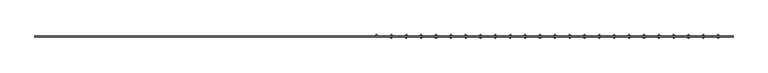
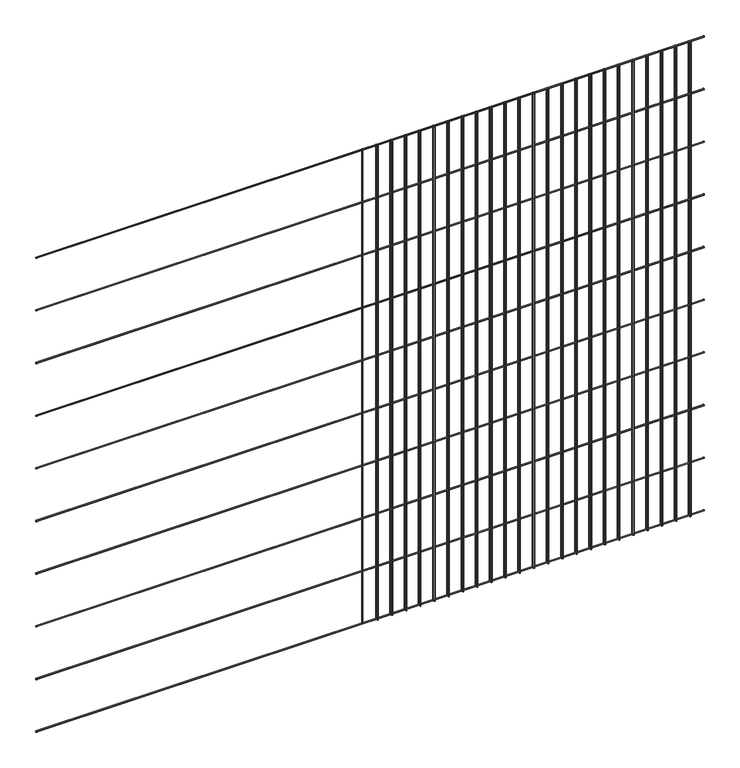
"""IFC4 building model written with IfcOpenShell, lengths in millimetres: railing geometry."""

from ifc_helpers import new_model, si_unit, point, frame, frame_2d, origin, place, context, project, spatial, circle_curve, trimmed, segment, composite_curve, outline, extrude, source, transform, mapped, element, save


def railing_3e15e8f1(model_context):
    return source(origin(), model_context, "Body", "SweptSolid", [
        extrude(outline(composite_curve([segment(trimmed(circle_curve(frame_2d((-1798.7360363, 9450.8835937)), 2.0574), [point((-1796.6786363, 9450.8835937))], [point((-1800.7934363, 9450.8835937))], False, "CARTESIAN"), True, "CONTINUOUS"), segment(trimmed(circle_curve(frame_2d((-1798.7360363, 9450.8835937)), 2.0574), [point((-1800.7934363, 9450.8835937))], [point((-1796.6786363, 9450.8835937))], False, "CARTESIAN"), True, "CONTINUOUS")], self_intersect=False)), frame((-5189.4581376, 0.0, 0.0), z_axis=(1.0, 0.0, 0.0), x_axis=(0.0, 1.0, 0.0)), (0.0, 0.0, 1.0), 2438.4),
        extrude(outline(composite_curve([segment(trimmed(circle_curve(frame_2d((-1798.7360363, 9247.6835937)), 2.0574), [point((-1796.6786363, 9247.6835937))], [point((-1800.7934363, 9247.6835937))], False, "CARTESIAN"), True, "CONTINUOUS"), segment(trimmed(circle_curve(frame_2d((-1798.7360363, 9247.6835937)), 2.0574), [point((-1800.7934363, 9247.6835937))], [point((-1796.6786363, 9247.6835937))], False, "CARTESIAN"), True, "CONTINUOUS")], self_intersect=False)), frame((-5189.4581376, 0.0, 0.0), z_axis=(1.0, 0.0, 0.0), x_axis=(0.0, 1.0, 0.0)), (0.0, 0.0, 1.0), 2438.4),
        extrude(outline(composite_curve([segment(trimmed(circle_curve(frame_2d((-1798.7360363, 9044.4835937)), 2.0574), [point((-1796.6786363, 9044.4835937))], [point((-1800.7934363, 9044.4835937))], False, "CARTESIAN"), True, "CONTINUOUS"), segment(trimmed(circle_curve(frame_2d((-1798.7360363, 9044.4835937)), 2.0574), [point((-1800.7934363, 9044.4835937))], [point((-1796.6786363, 9044.4835937))], False, "CARTESIAN"), True, "CONTINUOUS")], self_intersect=False)), frame((-5189.4581376, 0.0, 0.0), z_axis=(1.0, 0.0, 0.0), x_axis=(0.0, 1.0, 0.0)), (0.0, 0.0, 1.0), 2438.4),
        extrude(outline(composite_curve([segment(trimmed(circle_curve(frame_2d((-1798.7360363, 8841.2835937)), 2.0574), [point((-1796.6786363, 8841.2835937))], [point((-1800.7934363, 8841.2835937))], False, "CARTESIAN"), True, "CONTINUOUS"), segment(trimmed(circle_curve(frame_2d((-1798.7360363, 8841.2835937)), 2.0574), [point((-1800.7934363, 8841.2835937))], [point((-1796.6786363, 8841.2835937))], False, "CARTESIAN"), True, "CONTINUOUS")], self_intersect=False)), frame((-5189.4581376, 0.0, 0.0), z_axis=(1.0, 0.0, 0.0), x_axis=(0.0, 1.0, 0.0)), (0.0, 0.0, 1.0), 2438.4),
        extrude(outline(composite_curve([segment(trimmed(circle_curve(frame_2d((-1798.7360363, 8638.0835937)), 2.0574), [point((-1796.6786363, 8638.0835937))], [point((-1800.7934363, 8638.0835937))], False, "CARTESIAN"), True, "CONTINUOUS"), segment(trimmed(circle_curve(frame_2d((-1798.7360363, 8638.0835937)), 2.0574), [point((-1800.7934363, 8638.0835937))], [point((-1796.6786363, 8638.0835937))], False, "CARTESIAN"), True, "CONTINUOUS")], self_intersect=False)), frame((-5189.4581376, 0.0, 0.0), z_axis=(1.0, 0.0, 0.0), x_axis=(0.0, 1.0, 0.0)), (0.0, 0.0, 1.0), 2438.4),
        extrude(outline(composite_curve([segment(trimmed(circle_curve(frame_2d((-1798.7360363, 8434.8835937)), 2.0574), [point((-1796.6786363, 8434.8835937))], [point((-1800.7934363, 8434.8835937))], False, "CARTESIAN"), True, "CONTINUOUS"), segment(trimmed(circle_curve(frame_2d((-1798.7360363, 8434.8835937)), 2.0574), [point((-1800.7934363, 8434.8835937))], [point((-1796.6786363, 8434.8835937))], False, "CARTESIAN"), True, "CONTINUOUS")], self_intersect=False)), frame((-5189.4581376, 0.0, 0.0), z_axis=(1.0, 0.0, 0.0), x_axis=(0.0, 1.0, 0.0)), (0.0, 0.0, 1.0), 2438.4),
        extrude(outline(composite_curve([segment(trimmed(circle_curve(frame_2d((-1798.7360363, 8231.6835937)), 2.0574), [point((-1796.6786363, 8231.6835937))], [point((-1800.7934363, 8231.6835937))], False, "CARTESIAN"), True, "CONTINUOUS"), segment(trimmed(circle_curve(frame_2d((-1798.7360363, 8231.6835937)), 2.0574), [point((-1800.7934363, 8231.6835937))], [point((-1796.6786363, 8231.6835937))], False, "CARTESIAN"), True, "CONTINUOUS")], self_intersect=False)), frame((-5189.4581376, 0.0, 0.0), z_axis=(1.0, 0.0, 0.0), x_axis=(0.0, 1.0, 0.0)), (0.0, 0.0, 1.0), 2438.4),
        extrude(outline(composite_curve([segment(trimmed(circle_curve(frame_2d((-1798.7360363, 8028.4835937)), 2.0574), [point((-1796.6786363, 8028.4835937))], [point((-1800.7934363, 8028.4835937))], False, "CARTESIAN"), True, "CONTINUOUS"), segment(trimmed(circle_curve(frame_2d((-1798.7360363, 8028.4835937)), 2.0574), [point((-1800.7934363, 8028.4835937))], [point((-1796.6786363, 8028.4835937))], False, "CARTESIAN"), True, "CONTINUOUS")], self_intersect=False)), frame((-5189.4581376, 0.0, 0.0), z_axis=(1.0, 0.0, 0.0), x_axis=(0.0, 1.0, 0.0)), (0.0, 0.0, 1.0), 2438.4),
        extrude(outline(composite_curve([segment(trimmed(circle_curve(frame_2d((-1798.7360363, 7825.2835937)), 2.0574), [point((-1796.6786363, 7825.2835937))], [point((-1800.7934363, 7825.2835937))], False, "CARTESIAN"), True, "CONTINUOUS"), segment(trimmed(circle_curve(frame_2d((-1798.7360363, 7825.2835937)), 2.0574), [point((-1800.7934363, 7825.2835937))], [point((-1796.6786363, 7825.2835937))], False, "CARTESIAN"), True, "CONTINUOUS")], self_intersect=False)), frame((-5189.4581376, 0.0, 0.0), z_axis=(1.0, 0.0, 0.0), x_axis=(0.0, 1.0, 0.0)), (0.0, 0.0, 1.0), 2438.4),
        extrude(outline(composite_curve([segment(trimmed(circle_curve(frame_2d((-1798.7360363, 7622.0835937)), 2.0574), [point((-1796.6786363, 7622.0835937))], [point((-1800.7934363, 7622.0835937))], False, "CARTESIAN"), True, "CONTINUOUS"), segment(trimmed(circle_curve(frame_2d((-1798.7360363, 7622.0835937)), 2.0574), [point((-1800.7934363, 7622.0835937))], [point((-1796.6786363, 7622.0835937))], False, "CARTESIAN"), True, "CONTINUOUS")], self_intersect=False)), frame((-5189.4581376, 0.0, 0.0), z_axis=(1.0, 0.0, 0.0), x_axis=(0.0, 1.0, 0.0)), (0.0, 0.0, 1.0), 2438.4),
        extrude(outline(composite_curve([segment(trimmed(circle_curve(frame_2d((-2802.9389887, -1794.6212363)), 2.0574), [point((-2802.9389887, -1796.6786363))], [point((-2802.9389887, -1792.5638363))], False, "CARTESIAN"), True, "CONTINUOUS"), segment(trimmed(circle_curve(frame_2d((-2802.9389887, -1794.6212363)), 2.0574), [point((-2802.9389887, -1792.5638363))], [point((-2802.9389887, -1796.6786363))], False, "CARTESIAN"), True, "CONTINUOUS")], self_intersect=False)), frame((0.0, 0.0, 7620.0), z_axis=(0.0, 0.0, 1.0), x_axis=(1.0, 0.0, 0.0)), (0.0, 0.0, 1.0), 1828.8),
        extrude(outline(composite_curve([segment(trimmed(circle_curve(frame_2d((-2802.9389887, -1802.8508363)), 2.0574), [point((-2802.9389887, -1800.7934363))], [point((-2802.9389887, -1804.9082363))], False, "CARTESIAN"), True, "CONTINUOUS"), segment(trimmed(circle_curve(frame_2d((-2802.9389887, -1802.8508363)), 2.0574), [point((-2802.9389887, -1804.9082363))], [point((-2802.9389887, -1800.7934363))], False, "CARTESIAN"), True, "CONTINUOUS")], self_intersect=False)), frame((0.0, 0.0, 7620.0), z_axis=(0.0, 0.0, 1.0), x_axis=(1.0, 0.0, 0.0)), (0.0, 0.0, 1.0), 1828.8),
        extrude(outline(composite_curve([segment(trimmed(circle_curve(frame_2d((-2854.8198397, -1794.6212363)), 2.0574), [point((-2854.8198397, -1796.6786363))], [point((-2854.8198397, -1792.5638363))], False, "CARTESIAN"), True, "CONTINUOUS"), segment(trimmed(circle_curve(frame_2d((-2854.8198397, -1794.6212363)), 2.0574), [point((-2854.8198397, -1792.5638363))], [point((-2854.8198397, -1796.6786363))], False, "CARTESIAN"), True, "CONTINUOUS")], self_intersect=False)), frame((0.0, 0.0, 7620.0), z_axis=(0.0, 0.0, 1.0), x_axis=(1.0, 0.0, 0.0)), (0.0, 0.0, 1.0), 1828.8),
        extrude(outline(composite_curve([segment(trimmed(circle_curve(frame_2d((-2854.8198397, -1802.8508363)), 2.0574), [point((-2854.8198397, -1800.7934363))], [point((-2854.8198397, -1804.9082363))], False, "CARTESIAN"), True, "CONTINUOUS"), segment(trimmed(circle_curve(frame_2d((-2854.8198397, -1802.8508363)), 2.0574), [point((-2854.8198397, -1804.9082363))], [point((-2854.8198397, -1800.7934363))], False, "CARTESIAN"), True, "CONTINUOUS")], self_intersect=False)), frame((0.0, 0.0, 7620.0), z_axis=(0.0, 0.0, 1.0), x_axis=(1.0, 0.0, 0.0)), (0.0, 0.0, 1.0), 1828.8),
        extrude(outline(composite_curve([segment(trimmed(circle_curve(frame_2d((-2906.7006908, -1794.6212363)), 2.0574), [point((-2906.7006908, -1796.6786363))], [point((-2906.7006908, -1792.5638363))], False, "CARTESIAN"), True, "CONTINUOUS"), segment(trimmed(circle_curve(frame_2d((-2906.7006908, -1794.6212363)), 2.0574), [point((-2906.7006908, -1792.5638363))], [point((-2906.7006908, -1796.6786363))], False, "CARTESIAN"), True, "CONTINUOUS")], self_intersect=False)), frame((0.0, 0.0, 7620.0), z_axis=(0.0, 0.0, 1.0), x_axis=(1.0, 0.0, 0.0)), (0.0, 0.0, 1.0), 1828.8),
        extrude(outline(composite_curve([segment(trimmed(circle_curve(frame_2d((-2906.7006908, -1802.8508363)), 2.0574), [point((-2906.7006908, -1800.7934363))], [point((-2906.7006908, -1804.9082363))], False, "CARTESIAN"), True, "CONTINUOUS"), segment(trimmed(circle_curve(frame_2d((-2906.7006908, -1802.8508363)), 2.0574), [point((-2906.7006908, -1804.9082363))], [point((-2906.7006908, -1800.7934363))], False, "CARTESIAN"), True, "CONTINUOUS")], self_intersect=False)), frame((0.0, 0.0, 7620.0), z_axis=(0.0, 0.0, 1.0), x_axis=(1.0, 0.0, 0.0)), (0.0, 0.0, 1.0), 1828.8),
        extrude(outline(composite_curve([segment(trimmed(circle_curve(frame_2d((-2958.5815419, -1794.6212363)), 2.0574), [point((-2958.5815419, -1796.6786363))], [point((-2958.5815419, -1792.5638363))], False, "CARTESIAN"), True, "CONTINUOUS"), segment(trimmed(circle_curve(frame_2d((-2958.5815419, -1794.6212363)), 2.0574), [point((-2958.5815419, -1792.5638363))], [point((-2958.5815419, -1796.6786363))], False, "CARTESIAN"), True, "CONTINUOUS")], self_intersect=False)), frame((0.0, 0.0, 7620.0), z_axis=(0.0, 0.0, 1.0), x_axis=(1.0, 0.0, 0.0)), (0.0, 0.0, 1.0), 1828.8),
        extrude(outline(composite_curve([segment(trimmed(circle_curve(frame_2d((-2958.5815419, -1802.8508363)), 2.0574), [point((-2958.5815419, -1800.7934363))], [point((-2958.5815419, -1804.9082363))], False, "CARTESIAN"), True, "CONTINUOUS"), segment(trimmed(circle_curve(frame_2d((-2958.5815419, -1802.8508363)), 2.0574), [point((-2958.5815419, -1804.9082363))], [point((-2958.5815419, -1800.7934363))], False, "CARTESIAN"), True, "CONTINUOUS")], self_intersect=False)), frame((0.0, 0.0, 7620.0), z_axis=(0.0, 0.0, 1.0), x_axis=(1.0, 0.0, 0.0)), (0.0, 0.0, 1.0), 1828.8),
        extrude(outline(composite_curve([segment(trimmed(circle_curve(frame_2d((-3010.4623929, -1794.6212363)), 2.0574), [point((-3010.4623929, -1796.6786363))], [point((-3010.4623929, -1792.5638363))], False, "CARTESIAN"), True, "CONTINUOUS"), segment(trimmed(circle_curve(frame_2d((-3010.4623929, -1794.6212363)), 2.0574), [point((-3010.4623929, -1792.5638363))], [point((-3010.4623929, -1796.6786363))], False, "CARTESIAN"), True, "CONTINUOUS")], self_intersect=False)), frame((0.0, 0.0, 7620.0), z_axis=(0.0, 0.0, 1.0), x_axis=(1.0, 0.0, 0.0)), (0.0, 0.0, 1.0), 1828.8),
        extrude(outline(composite_curve([segment(trimmed(circle_curve(frame_2d((-3010.4623929, -1802.8508363)), 2.0574), [point((-3010.4623929, -1800.7934363))], [point((-3010.4623929, -1804.9082363))], False, "CARTESIAN"), True, "CONTINUOUS"), segment(trimmed(circle_curve(frame_2d((-3010.4623929, -1802.8508363)), 2.0574), [point((-3010.4623929, -1804.9082363))], [point((-3010.4623929, -1800.7934363))], False, "CARTESIAN"), True, "CONTINUOUS")], self_intersect=False)), frame((0.0, 0.0, 7620.0), z_axis=(0.0, 0.0, 1.0), x_axis=(1.0, 0.0, 0.0)), (0.0, 0.0, 1.0), 1828.8),
        extrude(outline(composite_curve([segment(trimmed(circle_curve(frame_2d((-3062.343244, -1794.6212363)), 2.0574), [point((-3062.343244, -1796.6786363))], [point((-3062.343244, -1792.5638363))], False, "CARTESIAN"), True, "CONTINUOUS"), segment(trimmed(circle_curve(frame_2d((-3062.343244, -1794.6212363)), 2.0574), [point((-3062.343244, -1792.5638363))], [point((-3062.343244, -1796.6786363))], False, "CARTESIAN"), True, "CONTINUOUS")], self_intersect=False)), frame((0.0, 0.0, 7620.0), z_axis=(0.0, 0.0, 1.0), x_axis=(1.0, 0.0, 0.0)), (0.0, 0.0, 1.0), 1828.8),
        extrude(outline(composite_curve([segment(trimmed(circle_curve(frame_2d((-3062.343244, -1802.8508363)), 2.0574), [point((-3062.343244, -1800.7934363))], [point((-3062.343244, -1804.9082363))], False, "CARTESIAN"), True, "CONTINUOUS"), segment(trimmed(circle_curve(frame_2d((-3062.343244, -1802.8508363)), 2.0574), [point((-3062.343244, -1804.9082363))], [point((-3062.343244, -1800.7934363))], False, "CARTESIAN"), True, "CONTINUOUS")], self_intersect=False)), frame((0.0, 0.0, 7620.0), z_axis=(0.0, 0.0, 1.0), x_axis=(1.0, 0.0, 0.0)), (0.0, 0.0, 1.0), 1828.8),
        extrude(outline(composite_curve([segment(trimmed(circle_curve(frame_2d((-3114.2240951, -1794.6212363)), 2.0574), [point((-3114.2240951, -1796.6786363))], [point((-3114.2240951, -1792.5638363))], False, "CARTESIAN"), True, "CONTINUOUS"), segment(trimmed(circle_curve(frame_2d((-3114.2240951, -1794.6212363)), 2.0574), [point((-3114.2240951, -1792.5638363))], [point((-3114.2240951, -1796.6786363))], False, "CARTESIAN"), True, "CONTINUOUS")], self_intersect=False)), frame((0.0, 0.0, 7620.0), z_axis=(0.0, 0.0, 1.0), x_axis=(1.0, 0.0, 0.0)), (0.0, 0.0, 1.0), 1828.8),
        extrude(outline(composite_curve([segment(trimmed(circle_curve(frame_2d((-3114.2240951, -1802.8508363)), 2.0574), [point((-3114.2240951, -1800.7934363))], [point((-3114.2240951, -1804.9082363))], False, "CARTESIAN"), True, "CONTINUOUS"), segment(trimmed(circle_curve(frame_2d((-3114.2240951, -1802.8508363)), 2.0574), [point((-3114.2240951, -1804.9082363))], [point((-3114.2240951, -1800.7934363))], False, "CARTESIAN"), True, "CONTINUOUS")], self_intersect=False)), frame((0.0, 0.0, 7620.0), z_axis=(0.0, 0.0, 1.0), x_axis=(1.0, 0.0, 0.0)), (0.0, 0.0, 1.0), 1828.8),
        extrude(outline(composite_curve([segment(trimmed(circle_curve(frame_2d((-3166.1049461, -1794.6212363)), 2.0574), [point((-3166.1049461, -1796.6786363))], [point((-3166.1049461, -1792.5638363))], False, "CARTESIAN"), True, "CONTINUOUS"), segment(trimmed(circle_curve(frame_2d((-3166.1049461, -1794.6212363)), 2.0574), [point((-3166.1049461, -1792.5638363))], [point((-3166.1049461, -1796.6786363))], False, "CARTESIAN"), True, "CONTINUOUS")], self_intersect=False)), frame((0.0, 0.0, 7620.0), z_axis=(0.0, 0.0, 1.0), x_axis=(1.0, 0.0, 0.0)), (0.0, 0.0, 1.0), 1828.8),
        extrude(outline(composite_curve([segment(trimmed(circle_curve(frame_2d((-3166.1049461, -1802.8508363)), 2.0574), [point((-3166.1049461, -1800.7934363))], [point((-3166.1049461, -1804.9082363))], False, "CARTESIAN"), True, "CONTINUOUS"), segment(trimmed(circle_curve(frame_2d((-3166.1049461, -1802.8508363)), 2.0574), [point((-3166.1049461, -1804.9082363))], [point((-3166.1049461, -1800.7934363))], False, "CARTESIAN"), True, "CONTINUOUS")], self_intersect=False)), frame((0.0, 0.0, 7620.0), z_axis=(0.0, 0.0, 1.0), x_axis=(1.0, 0.0, 0.0)), (0.0, 0.0, 1.0), 1828.8),
        extrude(outline(composite_curve([segment(trimmed(circle_curve(frame_2d((-3217.9857972, -1794.6212363)), 2.0574), [point((-3217.9857972, -1796.6786363))], [point((-3217.9857972, -1792.5638363))], False, "CARTESIAN"), True, "CONTINUOUS"), segment(trimmed(circle_curve(frame_2d((-3217.9857972, -1794.6212363)), 2.0574), [point((-3217.9857972, -1792.5638363))], [point((-3217.9857972, -1796.6786363))], False, "CARTESIAN"), True, "CONTINUOUS")], self_intersect=False)), frame((0.0, 0.0, 7620.0), z_axis=(0.0, 0.0, 1.0), x_axis=(1.0, 0.0, 0.0)), (0.0, 0.0, 1.0), 1828.8),
        extrude(outline(composite_curve([segment(trimmed(circle_curve(frame_2d((-3217.9857972, -1802.8508363)), 2.0574), [point((-3217.9857972, -1800.7934363))], [point((-3217.9857972, -1804.9082363))], False, "CARTESIAN"), True, "CONTINUOUS"), segment(trimmed(circle_curve(frame_2d((-3217.9857972, -1802.8508363)), 2.0574), [point((-3217.9857972, -1804.9082363))], [point((-3217.9857972, -1800.7934363))], False, "CARTESIAN"), True, "CONTINUOUS")], self_intersect=False)), frame((0.0, 0.0, 7620.0), z_axis=(0.0, 0.0, 1.0), x_axis=(1.0, 0.0, 0.0)), (0.0, 0.0, 1.0), 1828.8),
        extrude(outline(composite_curve([segment(trimmed(circle_curve(frame_2d((-3269.8666482, -1794.6212363)), 2.0574), [point((-3269.8666482, -1796.6786363))], [point((-3269.8666482, -1792.5638363))], False, "CARTESIAN"), True, "CONTINUOUS"), segment(trimmed(circle_curve(frame_2d((-3269.8666482, -1794.6212363)), 2.0574), [point((-3269.8666482, -1792.5638363))], [point((-3269.8666482, -1796.6786363))], False, "CARTESIAN"), True, "CONTINUOUS")], self_intersect=False)), frame((0.0, 0.0, 7620.0), z_axis=(0.0, 0.0, 1.0), x_axis=(1.0, 0.0, 0.0)), (0.0, 0.0, 1.0), 1828.8),
        extrude(outline(composite_curve([segment(trimmed(circle_curve(frame_2d((-3269.8666482, -1802.8508363)), 2.0574), [point((-3269.8666482, -1800.7934363))], [point((-3269.8666482, -1804.9082363))], False, "CARTESIAN"), True, "CONTINUOUS"), segment(trimmed(circle_curve(frame_2d((-3269.8666482, -1802.8508363)), 2.0574), [point((-3269.8666482, -1804.9082363))], [point((-3269.8666482, -1800.7934363))], False, "CARTESIAN"), True, "CONTINUOUS")], self_intersect=False)), frame((0.0, 0.0, 7620.0), z_axis=(0.0, 0.0, 1.0), x_axis=(1.0, 0.0, 0.0)), (0.0, 0.0, 1.0), 1828.8),
        extrude(outline(composite_curve([segment(trimmed(circle_curve(frame_2d((-3321.7474993, -1794.6212363)), 2.0574), [point((-3321.7474993, -1796.6786363))], [point((-3321.7474993, -1792.5638363))], False, "CARTESIAN"), True, "CONTINUOUS"), segment(trimmed(circle_curve(frame_2d((-3321.7474993, -1794.6212363)), 2.0574), [point((-3321.7474993, -1792.5638363))], [point((-3321.7474993, -1796.6786363))], False, "CARTESIAN"), True, "CONTINUOUS")], self_intersect=False)), frame((0.0, 0.0, 7620.0), z_axis=(0.0, 0.0, 1.0), x_axis=(1.0, 0.0, 0.0)), (0.0, 0.0, 1.0), 1828.8),
        extrude(outline(composite_curve([segment(trimmed(circle_curve(frame_2d((-3321.7474993, -1802.8508363)), 2.0574), [point((-3321.7474993, -1800.7934363))], [point((-3321.7474993, -1804.9082363))], False, "CARTESIAN"), True, "CONTINUOUS"), segment(trimmed(circle_curve(frame_2d((-3321.7474993, -1802.8508363)), 2.0574), [point((-3321.7474993, -1804.9082363))], [point((-3321.7474993, -1800.7934363))], False, "CARTESIAN"), True, "CONTINUOUS")], self_intersect=False)), frame((0.0, 0.0, 7620.0), z_axis=(0.0, 0.0, 1.0), x_axis=(1.0, 0.0, 0.0)), (0.0, 0.0, 1.0), 1828.8),
        extrude(outline(composite_curve([segment(trimmed(circle_curve(frame_2d((-3373.6283504, -1794.6212363)), 2.0574), [point((-3373.6283504, -1796.6786363))], [point((-3373.6283504, -1792.5638363))], False, "CARTESIAN"), True, "CONTINUOUS"), segment(trimmed(circle_curve(frame_2d((-3373.6283504, -1794.6212363)), 2.0574), [point((-3373.6283504, -1792.5638363))], [point((-3373.6283504, -1796.6786363))], False, "CARTESIAN"), True, "CONTINUOUS")], self_intersect=False)), frame((0.0, 0.0, 7620.0), z_axis=(0.0, 0.0, 1.0), x_axis=(1.0, 0.0, 0.0)), (0.0, 0.0, 1.0), 1828.8),
        extrude(outline(composite_curve([segment(trimmed(circle_curve(frame_2d((-3373.6283504, -1802.8508363)), 2.0574), [point((-3373.6283504, -1800.7934363))], [point((-3373.6283504, -1804.9082363))], False, "CARTESIAN"), True, "CONTINUOUS"), segment(trimmed(circle_curve(frame_2d((-3373.6283504, -1802.8508363)), 2.0574), [point((-3373.6283504, -1804.9082363))], [point((-3373.6283504, -1800.7934363))], False, "CARTESIAN"), True, "CONTINUOUS")], self_intersect=False)), frame((0.0, 0.0, 7620.0), z_axis=(0.0, 0.0, 1.0), x_axis=(1.0, 0.0, 0.0)), (0.0, 0.0, 1.0), 1828.8),
        extrude(outline(composite_curve([segment(trimmed(circle_curve(frame_2d((-3425.5092014, -1794.6212363)), 2.0574), [point((-3425.5092014, -1796.6786363))], [point((-3425.5092014, -1792.5638363))], False, "CARTESIAN"), True, "CONTINUOUS"), segment(trimmed(circle_curve(frame_2d((-3425.5092014, -1794.6212363)), 2.0574), [point((-3425.5092014, -1792.5638363))], [point((-3425.5092014, -1796.6786363))], False, "CARTESIAN"), True, "CONTINUOUS")], self_intersect=False)), frame((0.0, 0.0, 7620.0), z_axis=(0.0, 0.0, 1.0), x_axis=(1.0, 0.0, 0.0)), (0.0, 0.0, 1.0), 1828.8),
        extrude(outline(composite_curve([segment(trimmed(circle_curve(frame_2d((-3425.5092014, -1802.8508363)), 2.0574), [point((-3425.5092014, -1800.7934363))], [point((-3425.5092014, -1804.9082363))], False, "CARTESIAN"), True, "CONTINUOUS"), segment(trimmed(circle_curve(frame_2d((-3425.5092014, -1802.8508363)), 2.0574), [point((-3425.5092014, -1804.9082363))], [point((-3425.5092014, -1800.7934363))], False, "CARTESIAN"), True, "CONTINUOUS")], self_intersect=False)), frame((0.0, 0.0, 7620.0), z_axis=(0.0, 0.0, 1.0), x_axis=(1.0, 0.0, 0.0)), (0.0, 0.0, 1.0), 1828.8),
        extrude(outline(composite_curve([segment(trimmed(circle_curve(frame_2d((-3477.3900525, -1794.6212363)), 2.0574), [point((-3477.3900525, -1796.6786363))], [point((-3477.3900525, -1792.5638363))], False, "CARTESIAN"), True, "CONTINUOUS"), segment(trimmed(circle_curve(frame_2d((-3477.3900525, -1794.6212363)), 2.0574), [point((-3477.3900525, -1792.5638363))], [point((-3477.3900525, -1796.6786363))], False, "CARTESIAN"), True, "CONTINUOUS")], self_intersect=False)), frame((0.0, 0.0, 7620.0), z_axis=(0.0, 0.0, 1.0), x_axis=(1.0, 0.0, 0.0)), (0.0, 0.0, 1.0), 1828.8),
        extrude(outline(composite_curve([segment(trimmed(circle_curve(frame_2d((-3477.3900525, -1802.8508363)), 2.0574), [point((-3477.3900525, -1800.7934363))], [point((-3477.3900525, -1804.9082363))], False, "CARTESIAN"), True, "CONTINUOUS"), segment(trimmed(circle_curve(frame_2d((-3477.3900525, -1802.8508363)), 2.0574), [point((-3477.3900525, -1804.9082363))], [point((-3477.3900525, -1800.7934363))], False, "CARTESIAN"), True, "CONTINUOUS")], self_intersect=False)), frame((0.0, 0.0, 7620.0), z_axis=(0.0, 0.0, 1.0), x_axis=(1.0, 0.0, 0.0)), (0.0, 0.0, 1.0), 1828.8),
        extrude(outline(composite_curve([segment(trimmed(circle_curve(frame_2d((-3529.2709036, -1794.6212363)), 2.0574), [point((-3529.2709036, -1796.6786363))], [point((-3529.2709036, -1792.5638363))], False, "CARTESIAN"), True, "CONTINUOUS"), segment(trimmed(circle_curve(frame_2d((-3529.2709036, -1794.6212363)), 2.0574), [point((-3529.2709036, -1792.5638363))], [point((-3529.2709036, -1796.6786363))], False, "CARTESIAN"), True, "CONTINUOUS")], self_intersect=False)), frame((0.0, 0.0, 7620.0), z_axis=(0.0, 0.0, 1.0), x_axis=(1.0, 0.0, 0.0)), (0.0, 0.0, 1.0), 1828.8),
        extrude(outline(composite_curve([segment(trimmed(circle_curve(frame_2d((-3529.2709036, -1802.8508363)), 2.0574), [point((-3529.2709036, -1800.7934363))], [point((-3529.2709036, -1804.9082363))], False, "CARTESIAN"), True, "CONTINUOUS"), segment(trimmed(circle_curve(frame_2d((-3529.2709036, -1802.8508363)), 2.0574), [point((-3529.2709036, -1804.9082363))], [point((-3529.2709036, -1800.7934363))], False, "CARTESIAN"), True, "CONTINUOUS")], self_intersect=False)), frame((0.0, 0.0, 7620.0), z_axis=(0.0, 0.0, 1.0), x_axis=(1.0, 0.0, 0.0)), (0.0, 0.0, 1.0), 1828.8),
        extrude(outline(composite_curve([segment(trimmed(circle_curve(frame_2d((-3581.1517546, -1794.6212363)), 2.0574), [point((-3581.1517546, -1796.6786363))], [point((-3581.1517546, -1792.5638363))], False, "CARTESIAN"), True, "CONTINUOUS"), segment(trimmed(circle_curve(frame_2d((-3581.1517546, -1794.6212363)), 2.0574), [point((-3581.1517546, -1792.5638363))], [point((-3581.1517546, -1796.6786363))], False, "CARTESIAN"), True, "CONTINUOUS")], self_intersect=False)), frame((0.0, 0.0, 7620.0), z_axis=(0.0, 0.0, 1.0), x_axis=(1.0, 0.0, 0.0)), (0.0, 0.0, 1.0), 1828.8),
        extrude(outline(composite_curve([segment(trimmed(circle_curve(frame_2d((-3581.1517546, -1802.8508363)), 2.0574), [point((-3581.1517546, -1800.7934363))], [point((-3581.1517546, -1804.9082363))], False, "CARTESIAN"), True, "CONTINUOUS"), segment(trimmed(circle_curve(frame_2d((-3581.1517546, -1802.8508363)), 2.0574), [point((-3581.1517546, -1804.9082363))], [point((-3581.1517546, -1800.7934363))], False, "CARTESIAN"), True, "CONTINUOUS")], self_intersect=False)), frame((0.0, 0.0, 7620.0), z_axis=(0.0, 0.0, 1.0), x_axis=(1.0, 0.0, 0.0)), (0.0, 0.0, 1.0), 1828.8),
        extrude(outline(composite_curve([segment(trimmed(circle_curve(frame_2d((-3633.0326057, -1794.6212363)), 2.0574), [point((-3633.0326057, -1796.6786363))], [point((-3633.0326057, -1792.5638363))], False, "CARTESIAN"), True, "CONTINUOUS"), segment(trimmed(circle_curve(frame_2d((-3633.0326057, -1794.6212363)), 2.0574), [point((-3633.0326057, -1792.5638363))], [point((-3633.0326057, -1796.6786363))], False, "CARTESIAN"), True, "CONTINUOUS")], self_intersect=False)), frame((0.0, 0.0, 7620.0), z_axis=(0.0, 0.0, 1.0), x_axis=(1.0, 0.0, 0.0)), (0.0, 0.0, 1.0), 1828.8),
        extrude(outline(composite_curve([segment(trimmed(circle_curve(frame_2d((-3633.0326057, -1802.8508363)), 2.0574), [point((-3633.0326057, -1800.7934363))], [point((-3633.0326057, -1804.9082363))], False, "CARTESIAN"), True, "CONTINUOUS"), segment(trimmed(circle_curve(frame_2d((-3633.0326057, -1802.8508363)), 2.0574), [point((-3633.0326057, -1804.9082363))], [point((-3633.0326057, -1800.7934363))], False, "CARTESIAN"), True, "CONTINUOUS")], self_intersect=False)), frame((0.0, 0.0, 7620.0), z_axis=(0.0, 0.0, 1.0), x_axis=(1.0, 0.0, 0.0)), (0.0, 0.0, 1.0), 1828.8),
        extrude(outline(composite_curve([segment(trimmed(circle_curve(frame_2d((-3684.9134568, -1794.6212363)), 2.0574), [point((-3684.9134568, -1796.6786363))], [point((-3684.9134568, -1792.5638363))], False, "CARTESIAN"), True, "CONTINUOUS"), segment(trimmed(circle_curve(frame_2d((-3684.9134568, -1794.6212363)), 2.0574), [point((-3684.9134568, -1792.5638363))], [point((-3684.9134568, -1796.6786363))], False, "CARTESIAN"), True, "CONTINUOUS")], self_intersect=False)), frame((0.0, 0.0, 7620.0), z_axis=(0.0, 0.0, 1.0), x_axis=(1.0, 0.0, 0.0)), (0.0, 0.0, 1.0), 1828.8),
        extrude(outline(composite_curve([segment(trimmed(circle_curve(frame_2d((-3684.9134568, -1802.8508363)), 2.0574), [point((-3684.9134568, -1800.7934363))], [point((-3684.9134568, -1804.9082363))], False, "CARTESIAN"), True, "CONTINUOUS"), segment(trimmed(circle_curve(frame_2d((-3684.9134568, -1802.8508363)), 2.0574), [point((-3684.9134568, -1804.9082363))], [point((-3684.9134568, -1800.7934363))], False, "CARTESIAN"), True, "CONTINUOUS")], self_intersect=False)), frame((0.0, 0.0, 7620.0), z_axis=(0.0, 0.0, 1.0), x_axis=(1.0, 0.0, 0.0)), (0.0, 0.0, 1.0), 1828.8),
        extrude(outline(composite_curve([segment(trimmed(circle_curve(frame_2d((-3736.7943078, -1794.6212363)), 2.0574), [point((-3736.7943078, -1796.6786363))], [point((-3736.7943078, -1792.5638363))], False, "CARTESIAN"), True, "CONTINUOUS"), segment(trimmed(circle_curve(frame_2d((-3736.7943078, -1794.6212363)), 2.0574), [point((-3736.7943078, -1792.5638363))], [point((-3736.7943078, -1796.6786363))], False, "CARTESIAN"), True, "CONTINUOUS")], self_intersect=False)), frame((0.0, 0.0, 7620.0), z_axis=(0.0, 0.0, 1.0), x_axis=(1.0, 0.0, 0.0)), (0.0, 0.0, 1.0), 1828.8),
        extrude(outline(composite_curve([segment(trimmed(circle_curve(frame_2d((-3736.7943078, -1802.8508363)), 2.0574), [point((-3736.7943078, -1800.7934363))], [point((-3736.7943078, -1804.9082363))], False, "CARTESIAN"), True, "CONTINUOUS"), segment(trimmed(circle_curve(frame_2d((-3736.7943078, -1802.8508363)), 2.0574), [point((-3736.7943078, -1804.9082363))], [point((-3736.7943078, -1800.7934363))], False, "CARTESIAN"), True, "CONTINUOUS")], self_intersect=False)), frame((0.0, 0.0, 7620.0), z_axis=(0.0, 0.0, 1.0), x_axis=(1.0, 0.0, 0.0)), (0.0, 0.0, 1.0), 1828.8),
        extrude(outline(composite_curve([segment(trimmed(circle_curve(frame_2d((-3788.6751589, -1794.6212363)), 2.0574), [point((-3788.6751589, -1796.6786363))], [point((-3788.6751589, -1792.5638363))], False, "CARTESIAN"), True, "CONTINUOUS"), segment(trimmed(circle_curve(frame_2d((-3788.6751589, -1794.6212363)), 2.0574), [point((-3788.6751589, -1792.5638363))], [point((-3788.6751589, -1796.6786363))], False, "CARTESIAN"), True, "CONTINUOUS")], self_intersect=False)), frame((0.0, 0.0, 7620.0), z_axis=(0.0, 0.0, 1.0), x_axis=(1.0, 0.0, 0.0)), (0.0, 0.0, 1.0), 1828.8),
        extrude(outline(composite_curve([segment(trimmed(circle_curve(frame_2d((-3788.6751589, -1802.8508363)), 2.0574), [point((-3788.6751589, -1800.7934363))], [point((-3788.6751589, -1804.9082363))], False, "CARTESIAN"), True, "CONTINUOUS"), segment(trimmed(circle_curve(frame_2d((-3788.6751589, -1802.8508363)), 2.0574), [point((-3788.6751589, -1804.9082363))], [point((-3788.6751589, -1800.7934363))], False, "CARTESIAN"), True, "CONTINUOUS")], self_intersect=False)), frame((0.0, 0.0, 7620.0), z_axis=(0.0, 0.0, 1.0), x_axis=(1.0, 0.0, 0.0)), (0.0, 0.0, 1.0), 1828.8),
        extrude(outline(composite_curve([segment(trimmed(circle_curve(frame_2d((-3840.55601, -1794.6212363)), 2.0574), [point((-3840.55601, -1796.6786363))], [point((-3840.55601, -1792.5638363))], False, "CARTESIAN"), True, "CONTINUOUS"), segment(trimmed(circle_curve(frame_2d((-3840.55601, -1794.6212363)), 2.0574), [point((-3840.55601, -1792.5638363))], [point((-3840.55601, -1796.6786363))], False, "CARTESIAN"), True, "CONTINUOUS")], self_intersect=False)), frame((0.0, 0.0, 7620.0), z_axis=(0.0, 0.0, 1.0), x_axis=(1.0, 0.0, 0.0)), (0.0, 0.0, 1.0), 1828.8),
        extrude(outline(composite_curve([segment(trimmed(circle_curve(frame_2d((-3840.55601, -1802.8508363)), 2.0574), [point((-3840.55601, -1800.7934363))], [point((-3840.55601, -1804.9082363))], False, "CARTESIAN"), True, "CONTINUOUS"), segment(trimmed(circle_curve(frame_2d((-3840.55601, -1802.8508363)), 2.0574), [point((-3840.55601, -1804.9082363))], [point((-3840.55601, -1800.7934363))], False, "CARTESIAN"), True, "CONTINUOUS")], self_intersect=False)), frame((0.0, 0.0, 7620.0), z_axis=(0.0, 0.0, 1.0), x_axis=(1.0, 0.0, 0.0)), (0.0, 0.0, 1.0), 1828.8),
        extrude(outline(composite_curve([segment(trimmed(circle_curve(frame_2d((-3892.436861, -1794.6212363)), 2.0574), [point((-3892.436861, -1796.6786363))], [point((-3892.436861, -1792.5638363))], False, "CARTESIAN"), True, "CONTINUOUS"), segment(trimmed(circle_curve(frame_2d((-3892.436861, -1794.6212363)), 2.0574), [point((-3892.436861, -1792.5638363))], [point((-3892.436861, -1796.6786363))], False, "CARTESIAN"), True, "CONTINUOUS")], self_intersect=False)), frame((0.0, 0.0, 7620.0), z_axis=(0.0, 0.0, 1.0), x_axis=(1.0, 0.0, 0.0)), (0.0, 0.0, 1.0), 1828.8),
        extrude(outline(composite_curve([segment(trimmed(circle_curve(frame_2d((-3892.436861, -1802.8508363)), 2.0574), [point((-3892.436861, -1800.7934363))], [point((-3892.436861, -1804.9082363))], False, "CARTESIAN"), True, "CONTINUOUS"), segment(trimmed(circle_curve(frame_2d((-3892.436861, -1802.8508363)), 2.0574), [point((-3892.436861, -1804.9082363))], [point((-3892.436861, -1800.7934363))], False, "CARTESIAN"), True, "CONTINUOUS")], self_intersect=False)), frame((0.0, 0.0, 7620.0), z_axis=(0.0, 0.0, 1.0), x_axis=(1.0, 0.0, 0.0)), (0.0, 0.0, 1.0), 1828.8),
        extrude(outline(composite_curve([segment(trimmed(circle_curve(frame_2d((-3944.3177121, -1794.6212363)), 2.0574), [point((-3944.3177121, -1796.6786363))], [point((-3944.3177121, -1792.5638363))], False, "CARTESIAN"), True, "CONTINUOUS"), segment(trimmed(circle_curve(frame_2d((-3944.3177121, -1794.6212363)), 2.0574), [point((-3944.3177121, -1792.5638363))], [point((-3944.3177121, -1796.6786363))], False, "CARTESIAN"), True, "CONTINUOUS")], self_intersect=False)), frame((0.0, 0.0, 7620.0), z_axis=(0.0, 0.0, 1.0), x_axis=(1.0, 0.0, 0.0)), (0.0, 0.0, 1.0), 1828.8),
        extrude(outline(composite_curve([segment(trimmed(circle_curve(frame_2d((-3944.3177121, -1802.8508363)), 2.0574), [point((-3944.3177121, -1800.7934363))], [point((-3944.3177121, -1804.9082363))], False, "CARTESIAN"), True, "CONTINUOUS"), segment(trimmed(circle_curve(frame_2d((-3944.3177121, -1802.8508363)), 2.0574), [point((-3944.3177121, -1804.9082363))], [point((-3944.3177121, -1800.7934363))], False, "CARTESIAN"), True, "CONTINUOUS")], self_intersect=False)), frame((0.0, 0.0, 7620.0), z_axis=(0.0, 0.0, 1.0), x_axis=(1.0, 0.0, 0.0)), (0.0, 0.0, 1.0), 1828.8),
        extrude(outline(composite_curve([segment(trimmed(circle_curve(frame_2d((-3996.1985631, -1794.6212363)), 2.0574), [point((-3996.1985631, -1796.6786363))], [point((-3996.1985631, -1792.5638363))], False, "CARTESIAN"), True, "CONTINUOUS"), segment(trimmed(circle_curve(frame_2d((-3996.1985631, -1794.6212363)), 2.0574), [point((-3996.1985631, -1792.5638363))], [point((-3996.1985631, -1796.6786363))], False, "CARTESIAN"), True, "CONTINUOUS")], self_intersect=False)), frame((0.0, 0.0, 7620.0), z_axis=(0.0, 0.0, 1.0), x_axis=(1.0, 0.0, 0.0)), (0.0, 0.0, 1.0), 1828.8),
    ])


if __name__ == "__main__":
    model = new_model("IFC4")
    model_context = context("Model", 3, world=origin())
    ifc_project = project(units=[si_unit("LENGTHUNIT", "METRE", prefix="MILLI")], contexts=[model_context])
    site = spatial("IfcSite", under=ifc_project)
    building = spatial("IfcBuilding", under=site)
    placement = place(None, origin())
    railing_shape = railing_3e15e8f1(model_context)
    element("IfcRailing", 1, at=placement, inside=building, context=model_context, shape_type="MappedRepresentation", body=[
        mapped(railing_shape, transform((0.0, 0.0, 0.0), x_axis=(1.0, 0.0, 0.0), y_axis=(0.0, 1.0, 0.0), z_axis=(0.0, 0.0, 1.0))),
    ])
    save(model, "model.ifc")
